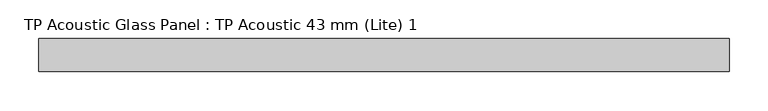
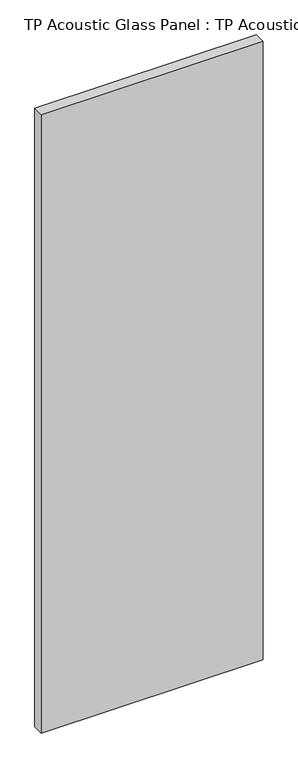
"""IFC4 building model written with IfcOpenShell, lengths in millimetres: plate geometry, TP Acoustic Glass Panel : TP Acoustic 43 mm (Lite) 1."""

from ifc_helpers import new_model, si_unit, origin, origin_with_axes, place, context, project, spatial, polyline, outline, extrude, source, transform, mapped, element, save


def tp_acoustic_glass_panel_tp_acoustic_43_mm_lite_1_8e5e356f(model_context):
    return source(origin(), model_context, "Body", "SweptSolid", [
        extrude(outline(polyline([(446.25, -21.5), (-446.25, -21.5), (-446.25, 21.5), (446.25, 21.5), (446.25, -21.5)])), origin_with_axes(), (0.0, 0.0, 1.0), 2628.0),
    ])


if __name__ == "__main__":
    model = new_model("IFC4")
    model_context = context("Model", 3, world=origin())
    ifc_project = project(units=[si_unit("LENGTHUNIT", "METRE", prefix="MILLI")], contexts=[model_context])
    site = spatial("IfcSite", under=ifc_project)
    building = spatial("IfcBuilding", under=site)
    placement = place(None, origin())
    tp_acoustic_glass_panel_tp_acoustic_43_mm_lite_1_shape = tp_acoustic_glass_panel_tp_acoustic_43_mm_lite_1_8e5e356f(model_context)
    element("IfcPlate", 1, ObjectType="TP Acoustic Glass Panel : TP Acoustic 43 mm (Lite) 1", at=placement, inside=building, context=model_context, shape_type="MappedRepresentation", body=[
        mapped(tp_acoustic_glass_panel_tp_acoustic_43_mm_lite_1_shape, transform((0.0, 0.0, 0.0), x_axis=(1.0, 0.0, 0.0), y_axis=(0.0, 1.0, 0.0), z_axis=(0.0, 0.0, 1.0))),
    ])
    save(model, "model.ifc")
